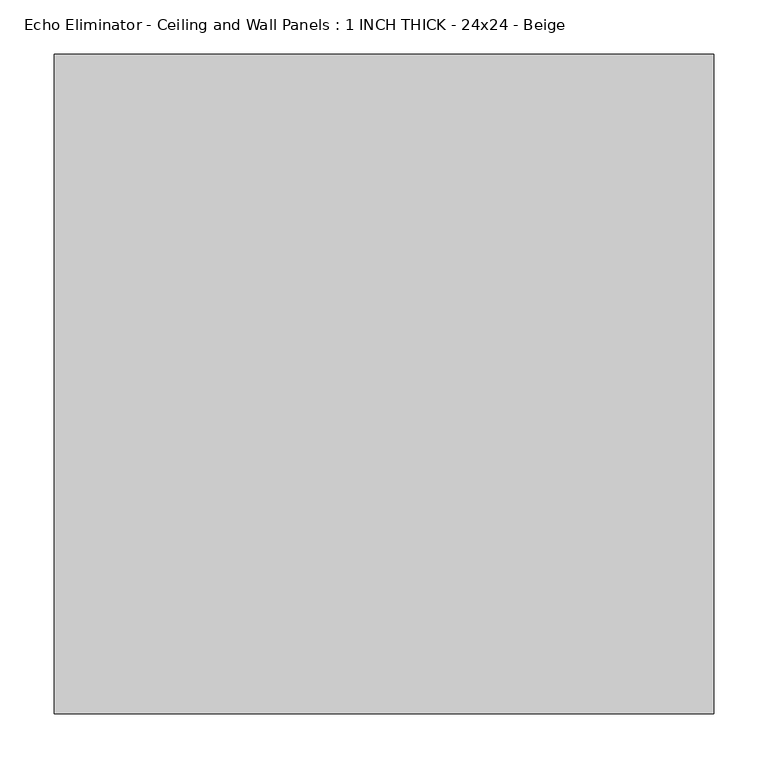
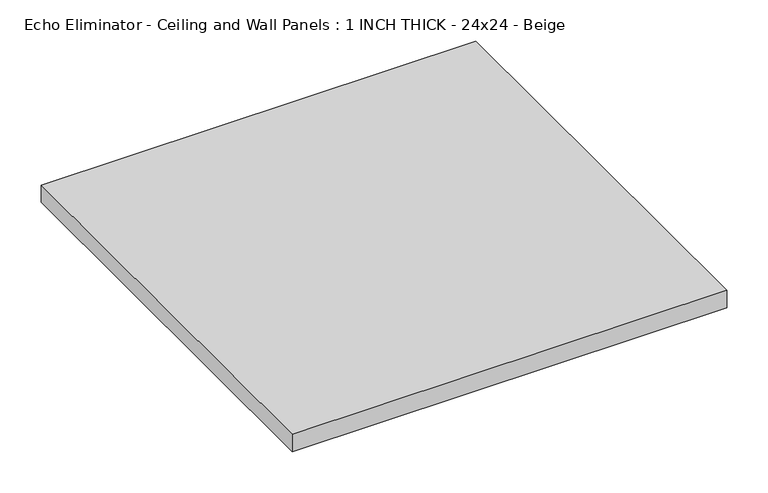
"""IFC4 building model written with IfcOpenShell, lengths in millimetres: proxy geometry, Echo Eliminator - Ceiling and Wall Panels : 1 INCH THICK - 24x24 - Beige."""

from ifc_helpers import new_model, si_unit, origin, origin_with_axes, place, context, project, spatial, polyline, outline, extrude, source, transform, mapped, element, save


def echo_eliminator_ceiling_and_wall_panels_1_inch_thick_24x24_ee6e0225(model_context):
    return source(origin(), model_context, "Body", "SweptSolid", [
        extrude(outline(polyline([(-304.8, 304.8), (304.8, 304.8), (304.8, -304.8), (-304.8, -304.8), (-304.8, 304.8)])), origin_with_axes(), (0.0, 0.0, 1.0), 25.4),
    ])


if __name__ == "__main__":
    model = new_model("IFC4")
    model_context = context("Model", 3, world=origin())
    ifc_project = project(units=[si_unit("LENGTHUNIT", "METRE", prefix="MILLI")], contexts=[model_context])
    site = spatial("IfcSite", under=ifc_project)
    building = spatial("IfcBuilding", under=site)
    placement = place(None, origin())
    echo_eliminator_ceiling_and_wall_panels_1_inch_thick_24x24_shape = echo_eliminator_ceiling_and_wall_panels_1_inch_thick_24x24_ee6e0225(model_context)
    element("IfcBuildingElementProxy", 1, Name="Echo Eliminator - Ceiling and Wall Panels : 1 INCH THICK - 24x24 - Beige", ObjectType="Echo Eliminator - Ceiling and Wall Panels : 1 INCH THICK - 24x24 - Beige", at=placement, inside=building, context=model_context, shape_type="MappedRepresentation", body=[
        mapped(echo_eliminator_ceiling_and_wall_panels_1_inch_thick_24x24_shape, transform((0.0, 0.0, 0.0), x_axis=(1.0, 0.0, 0.0), y_axis=(0.0, 1.0, 0.0), z_axis=(0.0, 0.0, 1.0))),
    ])
    save(model, "model.ifc")
